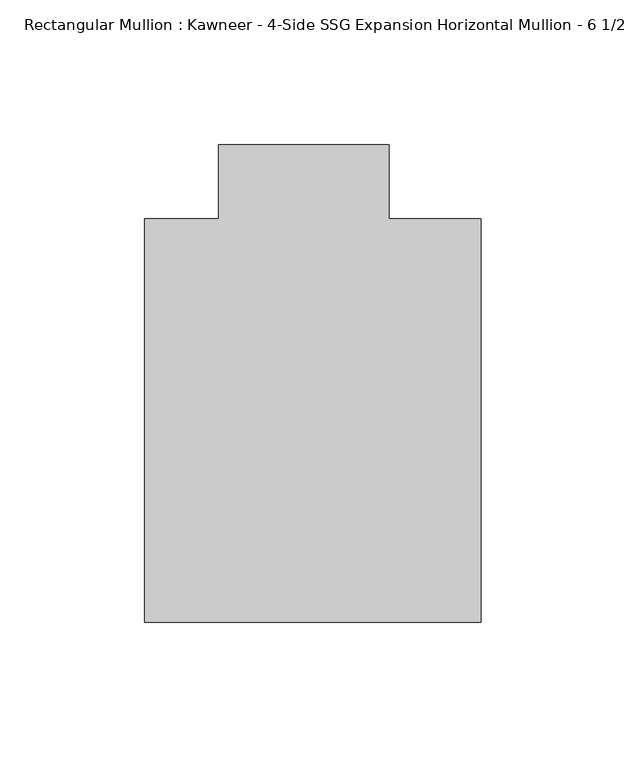
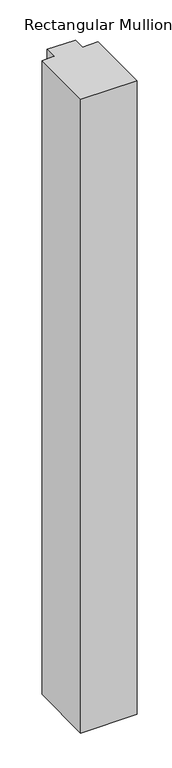
"""IFC4 building model written with IfcOpenShell, lengths in millimetres: member geometry."""

from ifc_helpers import new_model, si_unit, frame, origin, place, context, project, spatial, polyline, outline, extrude, source, transform, mapped, element, save


def member_e4c2da99(model_context):
    return source(origin(), model_context, "Body", "SweptSolid", [
        extrude(outline(polyline([(-62.2957636, -151.892), (-62.2957636, -12.7), (-36.8958768, -12.7), (-36.8958768, 12.7), (21.8651592, 12.7), (21.8651592, -12.7), (53.615046, -12.7), (53.615046, -151.892), (-62.2957636, -151.892)])), frame((0.0, 0.0, -1383.1651679), z_axis=(0.0, 0.0, 1.0), x_axis=(1.0, 0.0, 0.0)), (0.0, 0.0, 1.0), 1383.1651679),
    ])


if __name__ == "__main__":
    model = new_model("IFC4")
    model_context = context("Model", 3, world=origin())
    ifc_project = project(units=[si_unit("LENGTHUNIT", "METRE", prefix="MILLI")], contexts=[model_context])
    site = spatial("IfcSite", under=ifc_project)
    building = spatial("IfcBuilding", under=site)
    placement = place(None, origin())
    member_shape = member_e4c2da99(model_context)
    element("IfcMember", 1, ObjectType="Rectangular Mullion : Kawneer - 4-Side SSG Expansion Horizontal Mullion - 6 1/2\"", at=placement, inside=building, context=model_context, shape_type="MappedRepresentation", body=[
        mapped(member_shape, transform((0.0, 0.0, 0.0), x_axis=(1.0, 0.0, 0.0), y_axis=(0.0, 1.0, 0.0), z_axis=(0.0, 0.0, 1.0))),
    ])
    save(model, "model.ifc")
